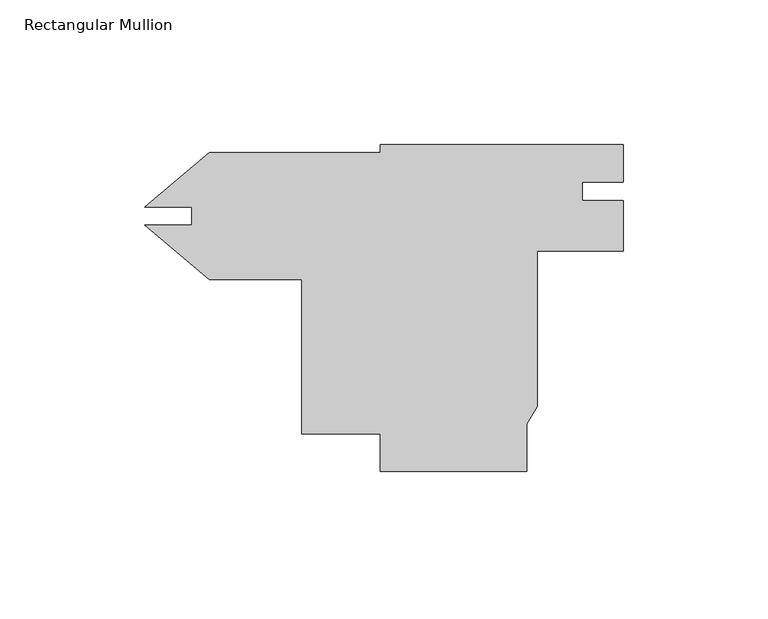
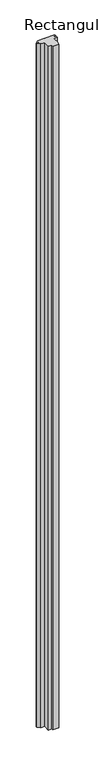
"""IFC4 building model written with IfcOpenShell, lengths in millimetres: member geometry, Rectangular Mullion."""

import ifcopenshell
import ifcopenshell.guid

model = None  # the IFC model being written
_history = None  # IfcOwnerHistory: only IFC2X3 demands one
_inside = {}  # id of a spatial element -> (the spatial element, [elements in it])
_under = {}  # id of a project, library or spatial element -> (it, [spatial elements below it])
_declared = {}  # id of a project -> (the project, [libraries it declares])
_typed = {}  # id of a type object -> (the type object, [elements of that type])
_made_of = {}  # id of a material, layer set ... -> (it, [elements and type objects made of it])


def new_model(schema):
    """Start an empty IFC model of exactly this schema.

    Asked for "IFC4X3", IfcOpenShell would pick the latest addendum, in which some entities
    have other attributes; the version numbers below select the first issue.
    IFC2X3 requires an IfcOwnerHistory on every rooted entity: one is made here for all.
    """
    global model, _history
    if schema == "IFC4X3":
        model = ifcopenshell.file(schema_version=(4, 3, 0, 0))
    else:
        model = ifcopenshell.file(schema=schema)
    _inside.clear()
    _under.clear()
    _declared.clear()
    _typed.clear()
    _made_of.clear()
    _history = None
    if model.schema == "IFC2X3":
        org = make("IfcOrganization", Name="unknown")
        user = make(
            "IfcPersonAndOrganization",
            ThePerson=make("IfcPerson", FamilyName="unknown"),
            TheOrganization=org,
        )
        app = make(
            "IfcApplication",
            ApplicationDeveloper=org,
            Version="unknown",
            ApplicationFullName="unknown",
            ApplicationIdentifier="unknown",
        )
        _history = make(
            "IfcOwnerHistory",
            OwningUser=user,
            OwningApplication=app,
            ChangeAction="ADDED",
            CreationDate=0,
        )
    return model


def make(cls, **values):
    """One entity of the class cls with the attributes given. An attribute that is None is left unset."""
    return model.create_entity(
        cls, **{name: value for name, value in values.items() if value is not None}
    )


def rooted(cls, **values):
    """An entity with a GlobalId (a new one), such as an element, a storey or a relation."""
    return make(cls, GlobalId=ifcopenshell.guid.new(), OwnerHistory=_history, **values)


def si_unit(unit_type, name, prefix=None):
    """IfcSIUnit, for example si_unit("LENGTHUNIT", "METRE", prefix="MILLI")."""
    return make("IfcSIUnit", UnitType=unit_type, Prefix=prefix, Name=name)


def assignment(units):
    """IfcUnitAssignment: the units of a project."""
    return None if units is None else make("IfcUnitAssignment", Units=units)


def point(xyz):
    """IfcCartesianPoint."""
    return None if xyz is None else make("IfcCartesianPoint", Coordinates=xyz)


def direction(xyz):
    """IfcDirection."""
    return None if xyz is None else make("IfcDirection", DirectionRatios=xyz)


def frame(location, z_axis=None, x_axis=None):
    """IfcAxis2Placement3D, a coordinate frame: its origin and axes. An axis left out is left unset."""
    return make(
        "IfcAxis2Placement3D",
        Location=point(location),
        Axis=direction(z_axis),
        RefDirection=direction(x_axis),
    )


def origin():
    """The frame at (0, 0, 0) with its axes left unset."""
    return frame((0.0, 0.0, 0.0))


def place(relative_to, where):
    """IfcLocalPlacement: puts the frame where relative to a parent placement (None: the world)."""
    return make(
        "IfcLocalPlacement", PlacementRelTo=relative_to, RelativePlacement=where
    )


def context(
    kind, dimensions, precision=None, world=None, true_north=None, identifier=None
):
    """IfcGeometricRepresentationContext, for example the 3D "Model" context."""
    return make(
        "IfcGeometricRepresentationContext",
        ContextIdentifier=identifier,
        ContextType=kind,
        CoordinateSpaceDimension=dimensions,
        Precision=precision,
        WorldCoordinateSystem=world,
        TrueNorth=true_north,
    )


def project(units=None, contexts=None):
    """IfcProject with its units and contexts."""
    return rooted(
        "IfcProject",
        Name="project",
        RepresentationContexts=contexts,
        UnitsInContext=assignment(units),
    )


def spatial(cls, under=None, at=None, **own):
    """A site, building, storey or space (cls), placed at a placement, below another one or the project."""
    s = rooted(cls, ObjectPlacement=at, **own)
    if under is not None:
        _under.setdefault(under.id(), (under, []))[1].append(s)
    return s


def polyline(points):
    """IfcPolyline through the points."""
    return make("IfcPolyline", Points=[point(p) for p in points])


def outline(outer, holes=None, kind="AREA"):
    """IfcArbitraryClosedProfileDef: a profile drawn as a closed curve; with holes, ...WithVoids."""
    if holes is None:
        return make("IfcArbitraryClosedProfileDef", ProfileType=kind, OuterCurve=outer)
    return make(
        "IfcArbitraryProfileDefWithVoids",
        ProfileType=kind,
        OuterCurve=outer,
        InnerCurves=holes,
    )


def extrude(swept, where, along, depth):
    """IfcExtrudedAreaSolid: the profile swept, set in the frame where, extruded along a direction by depth."""
    return make(
        "IfcExtrudedAreaSolid",
        SweptArea=swept,
        Position=where,
        ExtrudedDirection=direction(along),
        Depth=depth,
    )


def shape(context_of_items, identifier, shape_type, items):
    """IfcShapeRepresentation: the items that make up one representation, for example the "Body"."""
    return make(
        "IfcShapeRepresentation",
        ContextOfItems=context_of_items,
        RepresentationIdentifier=identifier,
        RepresentationType=shape_type,
        Items=items,
    )


def source(mapping_origin, context_of_items, identifier, shape_type, items):
    """IfcRepresentationMap: a shape defined once, which mapped items show again and again."""
    return make(
        "IfcRepresentationMap",
        MappingOrigin=mapping_origin,
        MappedRepresentation=shape(context_of_items, identifier, shape_type, items),
    )


def transform(
    local_origin,
    x_axis=None,
    y_axis=None,
    z_axis=None,
    scale=None,
    scale2=None,
    scale3=None,
    uniform=True,
):
    """IfcCartesianTransformationOperator3D, or its non-uniform kind. x_axis, y_axis, z_axis: its Axis1, 2, 3."""
    if uniform:
        return make(
            "IfcCartesianTransformationOperator3D",
            Axis1=direction(x_axis),
            Axis2=direction(y_axis),
            LocalOrigin=point(local_origin),
            Scale=scale,
            Axis3=direction(z_axis),
        )
    return make(
        "IfcCartesianTransformationOperator3DnonUniform",
        Axis1=direction(x_axis),
        Axis2=direction(y_axis),
        LocalOrigin=point(local_origin),
        Scale=scale,
        Axis3=direction(z_axis),
        Scale2=scale2,
        Scale3=scale3,
    )


def mapped(mapping_source, mapping_target):
    """IfcMappedItem: shows the shape of a source again, moved by a transform."""
    return make(
        "IfcMappedItem", MappingSource=mapping_source, MappingTarget=mapping_target
    )


def made_of(thing, what):
    """Note that an element or type object is made of a material, layer set ...; save() writes the relation."""
    if what is not None:
        _made_of.setdefault(what.id(), (what, []))[1].append(thing)
    return thing


def element(
    cls,
    number,
    at=None,
    inside=None,
    cuts=None,
    type_object=None,
    material=None,
    context=None,
    identifier="Body",
    shape_type=None,
    held_by="IfcProductDefinitionShape",
    body=None,
    shapes=None,
    **own,
):
    """One element of the class cls, such as IfcWall. Its Tag is "e" and its number.

    at: its placement. inside: the storey or other place that contains it. cuts: it is an
    opening in that element (IfcRelVoidsElement). A single representation is given by context,
    identifier, shape_type and body (its items); several are given by shapes. held_by: the class
    of the entity that holds the representations. save() writes the other relations.
    """
    e = rooted(cls, Tag="e%d" % number, ObjectPlacement=at, **own)
    if body is not None:
        shapes = [shape(context, identifier, shape_type, body)]
    if shapes is not None:
        e.Representation = make(held_by, Representations=shapes)
    if inside is not None:
        _inside.setdefault(inside.id(), (inside, []))[1].append(e)
    if cuts is not None:
        rooted(
            "IfcRelVoidsElement", RelatingBuildingElement=cuts, RelatedOpeningElement=e
        )
    if type_object is not None:
        _typed.setdefault(type_object.id(), (type_object, []))[1].append(e)
    return made_of(e, material)


def aggregate(whole, parts):
    """IfcRelAggregates: a whole, such as a stair, and the parts it consists of."""
    return rooted("IfcRelAggregates", RelatingObject=whole, RelatedObjects=parts)


def save(model, path):
    """Write the relations noted so far, then the file.

    IfcRelAggregates (storeys below a building ...), IfcRelContainedInSpatialStructure (elements
    in a storey), IfcRelDefinesByType, IfcRelAssociatesMaterial and IfcRelDeclares: one each for
    every whole, place, type object, material and project.
    """
    for whole, parts in _under.values():
        aggregate(whole, parts)
    for where, things in _inside.values():
        rooted(
            "IfcRelContainedInSpatialStructure",
            RelatedElements=things,
            RelatingStructure=where,
        )
    for kind, things in _typed.values():
        rooted("IfcRelDefinesByType", RelatedObjects=things, RelatingType=kind)
    for what, things in _made_of.values():
        rooted("IfcRelAssociatesMaterial", RelatedObjects=things, RelatingMaterial=what)
    for by, libraries in _declared.values():
        rooted("IfcRelDeclares", RelatingContext=by, RelatedDefinitions=libraries)
    model.write(path)


def rectangular_mullion_58c21123(model_context):
    return source(origin(), model_context, "Body", "SweptSolid", [
        extrude(outline(polyline([(58.7362808, 43.5120814), (44.45, 43.5120814), (44.45, 37.1620814), (58.7375, 37.1620814), (58.7375, 19.6926719), (28.9005843, 19.6926719), (28.9005843, -34.0407859), (25.4, -40.1178003), (25.4, -56.54294), (-25.4, -56.54294), (-25.4, -43.66514), (-52.3748, -43.66514), (-52.3748, 9.85266), (-84.4539868, 9.85266), (-106.7788023, 28.5854045), (-90.5002, 28.5854045), (-90.5002, 34.9095155), (-106.7788023, 34.9095155), (-84.4539868, 53.64226), (-25.4, 53.64226), (-25.4, 56.53786), (58.7362808, 56.53786), (58.7362808, 43.5120814)])), frame((0.0, 0.0, -5994.4000041), z_axis=(0.0, 0.0, 1.0), x_axis=(1.0, 0.0, 0.0)), (0.0, 0.0, 1.0), 5994.4000041),
    ])


if __name__ == "__main__":
    model = new_model("IFC4")
    model_context = context("Model", 3, world=origin())
    ifc_project = project(units=[si_unit("LENGTHUNIT", "METRE", prefix="MILLI")], contexts=[model_context])
    site = spatial("IfcSite", under=ifc_project)
    building = spatial("IfcBuilding", under=site)
    placement = place(None, origin())
    rectangular_mullion_shape = rectangular_mullion_58c21123(model_context)
    element("IfcMember", 1, ObjectType="Rectangular Mullion", at=placement, inside=building, context=model_context, shape_type="MappedRepresentation", body=[
        mapped(rectangular_mullion_shape, transform((0.0, 0.0, 0.0), x_axis=(1.0, 0.0, 0.0), y_axis=(0.0, 1.0, 0.0), z_axis=(0.0, 0.0, 1.0))),
    ])
    save(model, "model.ifc")
